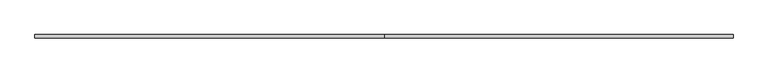
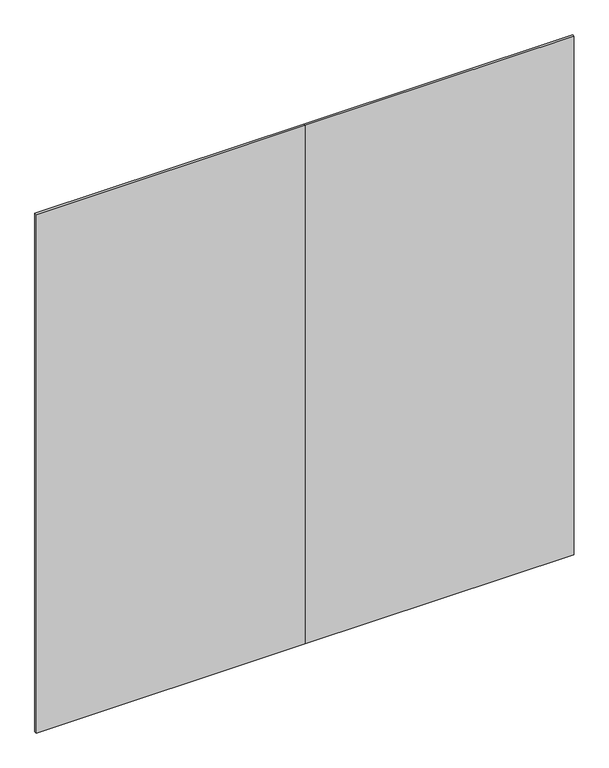
"""IFC4 building model written with IfcOpenShell, lengths in millimetres: furniture geometry."""

from ifc_helpers import new_model, si_unit, frame, origin, place, context, project, spatial, polyline, outline, extrude, source, transform, mapped, element, save


def furniture_ef67fb4f(model_context):
    return source(origin(), model_context, "Body", "SweptSolid", [
        extrude(outline(polyline([(0.0, -4.7752), (0.0, 4.7498), (1066.8, 4.7498), (1066.8, -4.7752), (0.0, -4.7752)])), frame((0.0, 0.0, 12.7), z_axis=(0.0, 0.0, 1.0), x_axis=(1.0, 0.0, 0.0)), (0.0, 0.0, 1.0), 2173.6010468),
        extrude(outline(polyline([(1066.8, -4.7752), (1066.8, 4.7498), (2133.6, 4.7498), (2133.6, -4.7752), (1066.8, -4.7752)])), frame((0.0, 0.0, 12.7), z_axis=(0.0, 0.0, 1.0), x_axis=(1.0, 0.0, 0.0)), (0.0, 0.0, 1.0), 2173.6010468),
    ])


if __name__ == "__main__":
    model = new_model("IFC4")
    model_context = context("Model", 3, world=origin())
    ifc_project = project(units=[si_unit("LENGTHUNIT", "METRE", prefix="MILLI")], contexts=[model_context])
    site = spatial("IfcSite", under=ifc_project)
    building = spatial("IfcBuilding", under=site)
    placement = place(None, origin())
    furniture_shape = furniture_ef67fb4f(model_context)
    element("IfcFurniture", 1, at=placement, inside=building, context=model_context, shape_type="MappedRepresentation", body=[
        mapped(furniture_shape, transform((0.0, 0.0, 0.0), x_axis=(1.0, 0.0, 0.0), y_axis=(0.0, 1.0, 0.0), z_axis=(0.0, 0.0, 1.0))),
    ])
    save(model, "model.ifc")
